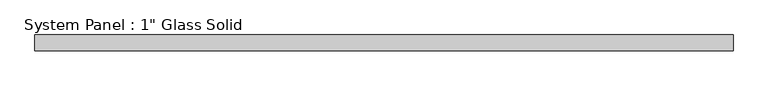
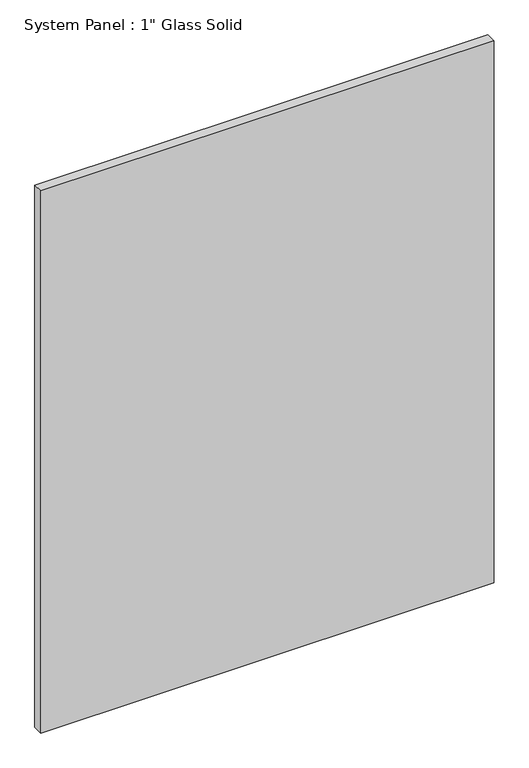
"""IFC4 building model written with IfcOpenShell, lengths in millimetres: plate geometry."""

from ifc_helpers import new_model, si_unit, origin, origin_with_axes, place, context, project, spatial, polyline, outline, extrude, source, transform, mapped, element, save


def plate_08f69239(model_context):
    return source(origin(), model_context, "Body", "SweptSolid", [
        extrude(outline(polyline([(562.5555865, -12.7), (-562.5555865, -12.7), (-562.5555865, 12.7), (562.5555865, 12.7), (562.5555865, -12.7)])), origin_with_axes(), (0.0, 0.0, 1.0), 1422.2894027),
    ])


if __name__ == "__main__":
    model = new_model("IFC4")
    model_context = context("Model", 3, world=origin())
    ifc_project = project(units=[si_unit("LENGTHUNIT", "METRE", prefix="MILLI")], contexts=[model_context])
    site = spatial("IfcSite", under=ifc_project)
    building = spatial("IfcBuilding", under=site)
    placement = place(None, origin())
    plate_shape = plate_08f69239(model_context)
    element("IfcPlate", 1, ObjectType="System Panel : 1\" Glass Solid", at=placement, inside=building, context=model_context, shape_type="MappedRepresentation", body=[
        mapped(plate_shape, transform((0.0, 0.0, 0.0), x_axis=(1.0, 0.0, 0.0), y_axis=(0.0, 1.0, 0.0), z_axis=(0.0, 0.0, 1.0))),
    ])
    save(model, "model.ifc")
